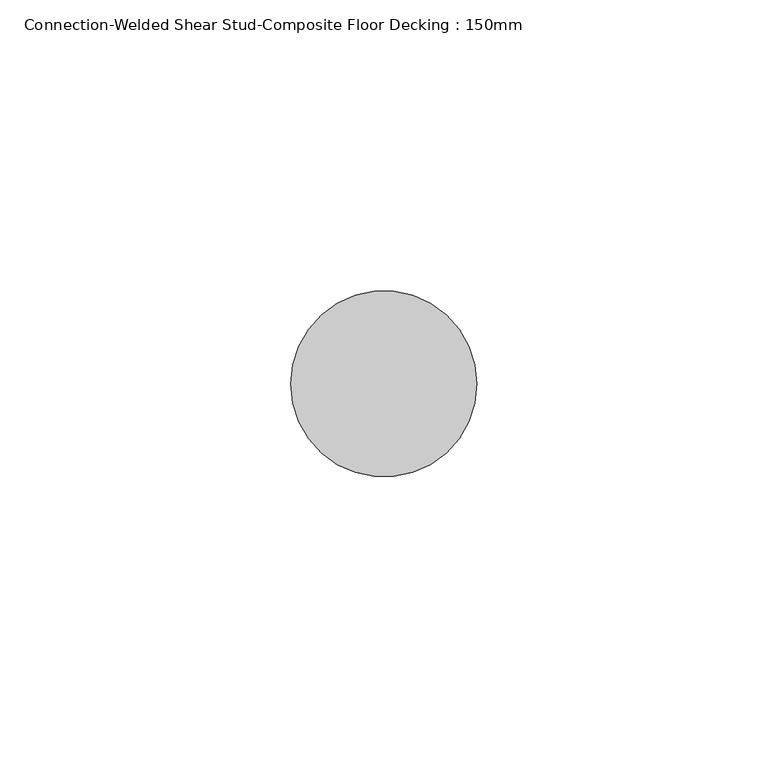
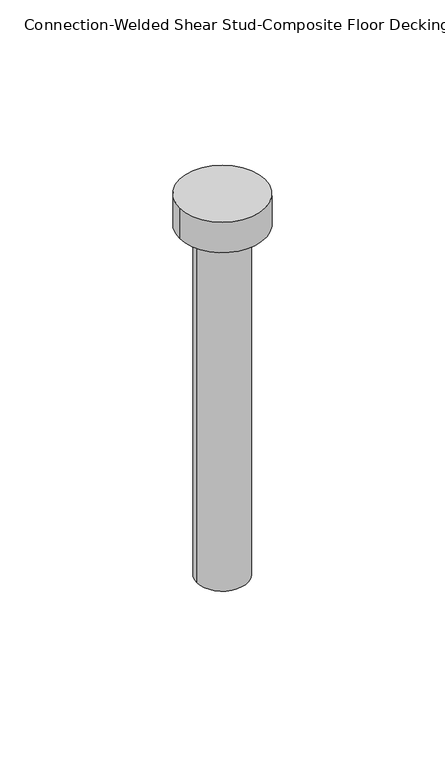
"""IFC4 building model written with IfcOpenShell, lengths in millimetres: fastener geometry, Connection-Welded Shear Stud-Composite Floor Decking : 150mm."""

from ifc_helpers import new_model, si_unit, point, frame, origin, origin_with_axes, origin_2d, place, context, project, spatial, circle_curve, trimmed, segment, composite_curve, outline, extrude, source, transform, mapped, element, save


def connection_welded_shear_stud_composite_floor_decking_150mm_0cb97fad(model_context):
    return source(origin(), model_context, "Body", "SweptSolid", [
        extrude(outline(composite_curve([segment(trimmed(circle_curve(origin_2d(), 16.0), [point((16.0, 0.0))], [point((-16.0, 0.0))], False, "CARTESIAN"), True, "CONTINUOUS"), segment(trimmed(circle_curve(origin_2d(), 16.0), [point((-16.0, 0.0))], [point((16.0, 0.0))], False, "CARTESIAN"), True, "CONTINUOUS")], self_intersect=False)), frame((0.0, 0.0, 138.0), z_axis=(0.0, 0.0, 1.0), x_axis=(1.0, 0.0, 0.0)), (0.0, 0.0, 1.0), 12.0),
        extrude(outline(composite_curve([segment(trimmed(circle_curve(origin_2d(), 9.5), [point((-9.5, 0.0))], [point((9.5, 0.0))], False, "CARTESIAN"), True, "CONTINUOUS"), segment(trimmed(circle_curve(origin_2d(), 9.5), [point((9.5, 0.0))], [point((-9.5, 0.0))], False, "CARTESIAN"), True, "CONTINUOUS")], self_intersect=False)), origin_with_axes(), (0.0, 0.0, 1.0), 138.0),
    ])


if __name__ == "__main__":
    model = new_model("IFC4")
    model_context = context("Model", 3, world=origin())
    ifc_project = project(units=[si_unit("LENGTHUNIT", "METRE", prefix="MILLI")], contexts=[model_context])
    site = spatial("IfcSite", under=ifc_project)
    building = spatial("IfcBuilding", under=site)
    placement = place(None, origin())
    connection_welded_shear_stud_composite_floor_decking_150mm_shape = connection_welded_shear_stud_composite_floor_decking_150mm_0cb97fad(model_context)
    element("IfcFastener", 1, ObjectType="Connection-Welded Shear Stud-Composite Floor Decking : 150mm", at=placement, inside=building, context=model_context, shape_type="MappedRepresentation", body=[
        mapped(connection_welded_shear_stud_composite_floor_decking_150mm_shape, transform((0.0, 0.0, 0.0), x_axis=(1.0, 0.0, 0.0), y_axis=(0.0, 1.0, 0.0), z_axis=(0.0, 0.0, 1.0))),
    ])
    save(model, "model.ifc")
